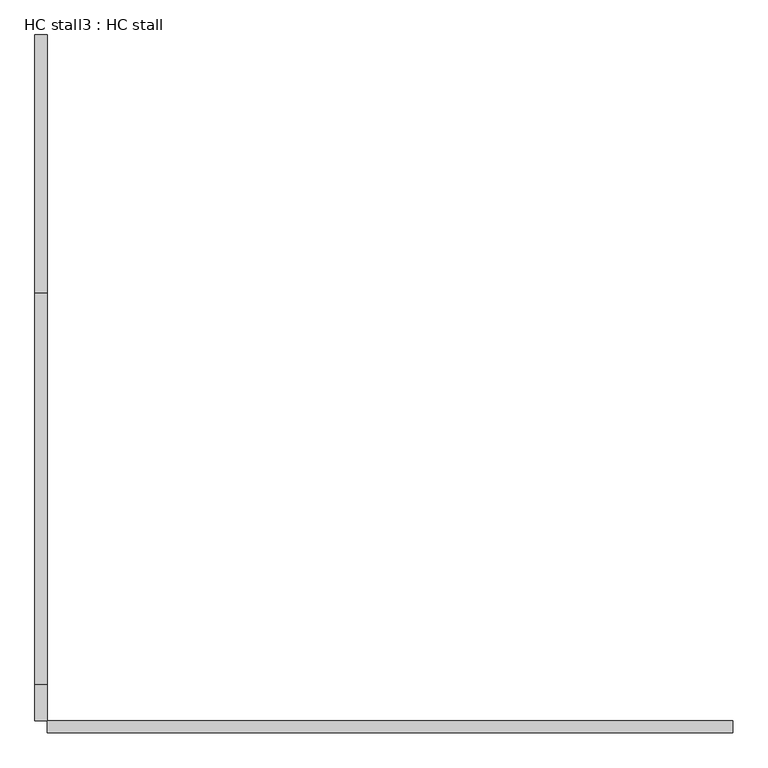
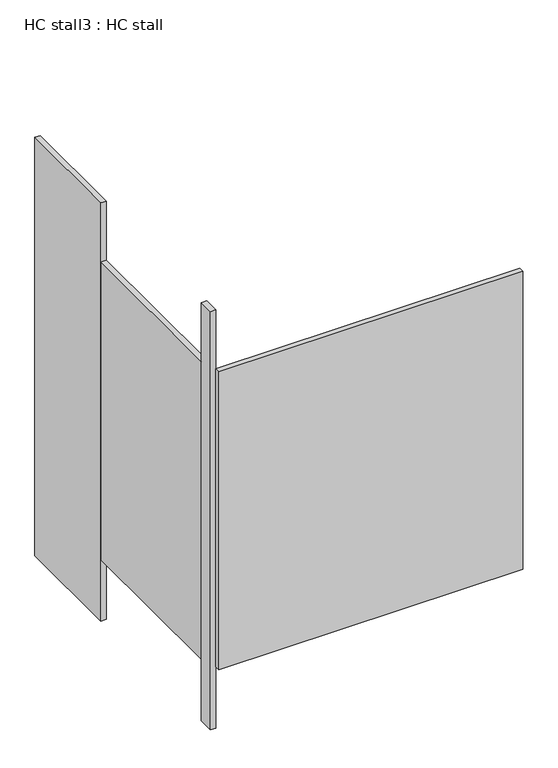
"""IFC4 building model written with IfcOpenShell, lengths in millimetres: proxy geometry, HC stall3 : HC stall."""

from ifc_helpers import new_model, si_unit, frame, origin, origin_with_axes, place, context, project, spatial, polyline, outline, extrude, source, transform, mapped, element, save


def hc_stall3_hc_stall_0c1646d0(model_context):
    return source(origin(), model_context, "Body", "SweptSolid", [
        extrude(outline(polyline([(456080.6004676, -270342.4988632), (454658.2004676, -270342.4988632), (454658.2004676, -270317.0988632), (456080.6004676, -270317.0988632), (456080.6004676, -270342.4988632)])), frame((0.0, 0.0, 304.8), z_axis=(0.0, 0.0, 1.0), x_axis=(1.0, 0.0, 0.0)), (0.0, 0.0, 1.0), 1473.2),
        extrude(outline(polyline([(454658.2004676, -269429.6863632), (454632.8004676, -269429.6863632), (454632.8004676, -268894.6988632), (454658.2004676, -268894.6988632), (454658.2004676, -269429.6863632)])), origin_with_axes(), (0.0, 0.0, 1.0), 2070.1),
        extrude(outline(polyline([(454658.2004676, -270317.0988632), (454632.8004676, -270317.0988632), (454632.8004676, -270242.4863632), (454658.2004676, -270242.4863632), (454658.2004676, -270317.0988632)])), origin_with_axes(), (0.0, 0.0, 1.0), 2070.1),
        extrude(outline(polyline([(454658.2004676, -270242.4863632), (454632.8004676, -270242.4863632), (454632.8004676, -269429.6863632), (454658.2004676, -269429.6863632), (454658.2004676, -270242.4863632)])), frame((0.0, 0.0, 304.8), z_axis=(0.0, 0.0, 1.0), x_axis=(1.0, 0.0, 0.0)), (0.0, 0.0, 1.0), 1473.2),
    ])


if __name__ == "__main__":
    model = new_model("IFC4")
    model_context = context("Model", 3, world=origin())
    ifc_project = project(units=[si_unit("LENGTHUNIT", "METRE", prefix="MILLI")], contexts=[model_context])
    site = spatial("IfcSite", under=ifc_project)
    building = spatial("IfcBuilding", under=site)
    placement = place(None, origin())
    hc_stall3_hc_stall_shape = hc_stall3_hc_stall_0c1646d0(model_context)
    element("IfcBuildingElementProxy", 1, Name="HC stall3 : HC stall", ObjectType="HC stall3 : HC stall", at=placement, inside=building, context=model_context, shape_type="MappedRepresentation", body=[
        mapped(hc_stall3_hc_stall_shape, transform((0.0, 0.0, 0.0), x_axis=(1.0, 0.0, 0.0), y_axis=(0.0, 1.0, 0.0), z_axis=(0.0, 0.0, 1.0))),
    ])
    save(model, "model.ifc")
